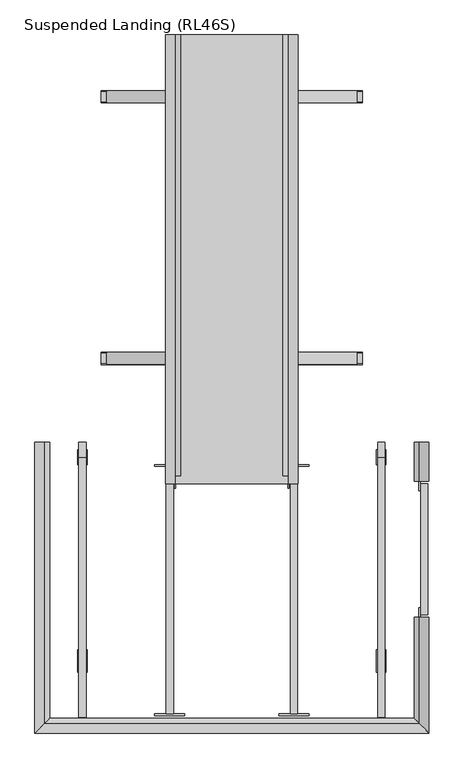
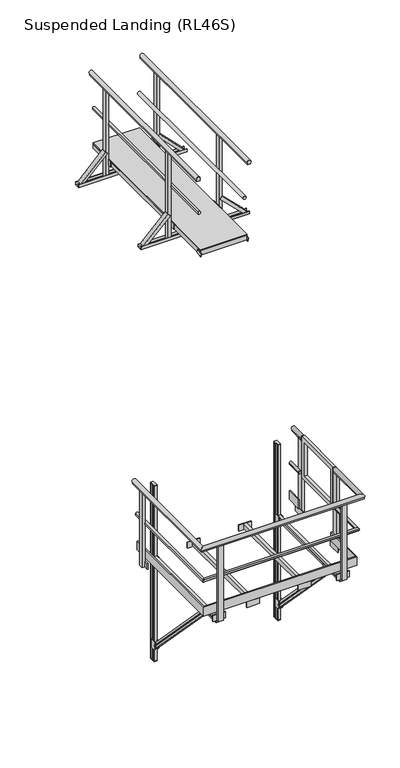
"""IFC4 building model written with IfcOpenShell, lengths in millimetres: proxy geometry, Suspended Landing (RL46S)."""

from ifc_helpers import new_model, si_unit, frame, origin, place, context, project, spatial, polyline, circle_curve, ellipse_curve, outline, extrude, faceted_brep, source, transform, mapped, element, save
from ifc_brep_helpers import plane_surface, cylinder_surface, advanced_brep


def suspended_landing_rl46s_f766930f(model_context):
    return source(origin(), model_context, "Body", "SolidModel", [
        advanced_brep(
        [(-1101.0, 2400.0, 9486.25), (-1101.0, 2400.0, 9459.75), (-1101.0, 41.3809842, 9486.25), (-1101.0, 41.3809842, 9459.75), (-1115.9812383, 41.3809842, 9493.0)],
        [
            (0, 1),
            (1, 0, circle_curve(frame((-1115.9812383, 2400.0, 9473.0), z_axis=(0.0, 1.0, 0.0), x_axis=(-1.0, 0.0, 0.0)), 20.0)),
            (0, 2),
            (2, 3),
            (3, 1),
            (3, 4, circle_curve(frame((-1115.9812383, 41.3809842, 9473.0), z_axis=(0.0, 1.0, 0.0), x_axis=(-1.0, 0.0, 0.0)), 20.0)),
            (4, 2, circle_curve(frame((-1115.9812383, 41.3809842, 9473.0), z_axis=(0.0, 1.0, 0.0), x_axis=(-1.0, 0.0, 0.0)), 20.0)),
        ],
        [
            plane_surface(frame((-1135.9812383, 2400.0, 9473.0), z_axis=(0.0, 1.0, 0.0), x_axis=(0.0, 0.0, 1.0))),
            plane_surface(frame((-1101.0, 0.0, 9459.75), z_axis=(1.0, 0.0, 0.0), x_axis=(0.0, 1.0, 0.0))),
            cylinder_surface(frame((-1115.9812383, 2400.0, 9473.0), z_axis=(0.0, -1.0, 0.0), x_axis=(-1.0, 0.0, 0.0)), 20.0),
            plane_surface(frame((-1038.2512627, 41.3809842, 9000.0), z_axis=(0.0, -1.0, 0.0), x_axis=(-1.0, 0.0, 0.0))),
        ],
        [
            (0, [[1, 2]]),
            (1, [[-1, 3, 4, 5]]),
            (2, [[-2, -5, 6, 7, -3]]),
            (3, [[-4, -7, -6]]),
        ],
    ),
        advanced_brep(
        [(-1720.0, 2400.0, 9486.25), (-1720.0, 2400.0, 9459.75), (-1720.0, 41.3809842, 9459.75), (-1720.0, 41.3809842, 9486.25), (-1705.0187617, 41.3809842, 9493.0)],
        [
            (0, 1, circle_curve(frame((-1705.0187617, 2400.0, 9473.0), z_axis=(0.0, 1.0, 0.0), x_axis=(1.0, 0.0, 0.0)), 20.0)),
            (1, 0),
            (1, 2),
            (2, 3),
            (3, 0),
            (3, 4, circle_curve(frame((-1705.0187617, 41.3809842, 9473.0), z_axis=(0.0, 1.0, 0.0), x_axis=(1.0, 0.0, 0.0)), 20.0)),
            (4, 2, circle_curve(frame((-1705.0187617, 41.3809842, 9473.0), z_axis=(0.0, 1.0, 0.0), x_axis=(1.0, 0.0, 0.0)), 20.0)),
        ],
        [
            plane_surface(frame((-1720.0, 2400.0, 9459.75), z_axis=(0.0, 1.0, 0.0), x_axis=(0.0, 0.0, 1.0))),
            plane_surface(frame((-1720.0, 0.0, 9486.25), z_axis=(-1.0, 0.0, 0.0), x_axis=(0.0, 1.0, 0.0))),
            cylinder_surface(frame((-1705.0187617, 2400.0, 9473.0), z_axis=(0.0, -1.0, 0.0), x_axis=(1.0, 0.0, 0.0)), 20.0),
            plane_surface(frame((-1038.2512627, 41.3809842, 9000.0), z_axis=(0.0, -1.0, 0.0), x_axis=(-1.0, 0.0, 0.0))),
        ],
        [
            (0, [[1, 2]]),
            (1, [[-2, 3, 4, 5]]),
            (2, [[-1, -5, 6, 7, -3]]),
            (3, [[-4, -7, -6]]),
        ],
    ),
        advanced_brep(
        [(-1061.0, 2400.0, 9961.43534), (-1061.0, 2400.0, 9943.0), (-1103.0, 2400.0, 9943.0), (-1103.0, 2400.0, 9961.43534), (-1061.0, 0.0, 9961.43534), (-1061.0, 0.0, 9943.0), (-1103.0, 0.0, 9943.0), (-1103.0, 0.0, 9961.43534), (-1082.0, 0.0, 10000.0)],
        [
            (0, 1),
            (1, 2),
            (2, 3),
            (3, 0, circle_curve(frame((-1082.0, 2400.0, 9975.0), z_axis=(0.0, 1.0, 0.0), x_axis=(-1.0, 0.0, 0.0)), 25.0)),
            (4, 5),
            (5, 1),
            (0, 4),
            (5, 6),
            (6, 2),
            (6, 7),
            (7, 3),
            (7, 8, circle_curve(frame((-1082.0, 0.0, 9975.0), z_axis=(0.0, 1.0, 0.0), x_axis=(-1.0, 0.0, 0.0)), 25.0)),
            (8, 4, circle_curve(frame((-1082.0, 0.0, 9975.0), z_axis=(0.0, 1.0, 0.0), x_axis=(-1.0, 0.0, 0.0)), 25.0)),
        ],
        [
            plane_surface(frame((-1107.0, 2400.0, 9975.0), z_axis=(0.0, 1.0, 0.0), x_axis=(0.0, 0.0, 1.0))),
            plane_surface(frame((-1061.0, 0.0, 9943.0), z_axis=(1.0, 0.0, 0.0), x_axis=(0.0, 1.0, 0.0))),
            plane_surface(frame((-1103.0, 0.0, 9943.0), z_axis=(0.0, 0.0, -1.0), x_axis=(0.0, 1.0, 0.0))),
            plane_surface(frame((-1103.0, 0.0, 9961.43534), z_axis=(-1.0, 0.0, 0.0), x_axis=(0.0, 1.0, 0.0))),
            cylinder_surface(frame((-1082.0, 2400.0, 9975.0), z_axis=(0.0, -1.0, 0.0), x_axis=(-1.0, 0.0, 0.0)), 25.0),
            plane_surface(frame((-1107.0, 0.0, 9975.0), z_axis=(0.0, -1.0, 0.0), x_axis=(0.0, 0.0, -1.0))),
        ],
        [
            (0, [[1, 2, 3, 4]]),
            (1, [[5, 6, -1, 7]]),
            (2, [[8, 9, -2, -6]]),
            (3, [[10, 11, -3, -9]]),
            (4, [[-4, -11, 12, 13, -7]]),
            (5, [[-10, -8, -5, -13, -12]]),
        ],
    ),
        advanced_brep(
        [(-1760.0, 2400.0, 9961.43534), (-1718.0, 2400.0, 9961.43534), (-1718.0, 2400.0, 9943.0), (-1760.0, 2400.0, 9943.0), (-1760.0, 0.0, 9943.0), (-1760.0, 0.0, 9961.43534), (-1718.0, 0.0, 9943.0), (-1718.0, 0.0, 9961.43534), (-1739.0, 0.0, 10000.0)],
        [
            (0, 1, circle_curve(frame((-1739.0, 2400.0, 9975.0), z_axis=(0.0, 1.0, 0.0), x_axis=(1.0, 0.0, 0.0)), 25.0)),
            (1, 2),
            (2, 3),
            (3, 0),
            (4, 5),
            (5, 0),
            (3, 4),
            (6, 4),
            (2, 6),
            (7, 6),
            (1, 7),
            (5, 8, circle_curve(frame((-1739.0, 0.0, 9975.0), z_axis=(0.0, 1.0, 0.0), x_axis=(1.0, 0.0, 0.0)), 25.0)),
            (8, 7, circle_curve(frame((-1739.0, 0.0, 9975.0), z_axis=(0.0, 1.0, 0.0), x_axis=(1.0, 0.0, 0.0)), 25.0)),
        ],
        [
            plane_surface(frame((-1760.0, 2400.0, 9943.0), z_axis=(0.0, 1.0, 0.0), x_axis=(0.0, 0.0, 1.0))),
            plane_surface(frame((-1760.0, 0.0, 9961.43534), z_axis=(-1.0, 0.0, 0.0), x_axis=(0.0, 1.0, 0.0))),
            plane_surface(frame((-1760.0, 0.0, 9943.0), z_axis=(0.0, 0.0, -1.0), x_axis=(0.0, 1.0, 0.0))),
            plane_surface(frame((-1718.0, 0.0, 9943.0), z_axis=(1.0, 0.0, 0.0), x_axis=(0.0, 1.0, 0.0))),
            cylinder_surface(frame((-1739.0, 2400.0, 9975.0), z_axis=(0.0, -1.0, 0.0), x_axis=(1.0, 0.0, 0.0)), 25.0),
            plane_surface(frame((-1760.0, 0.0, 9943.0), z_axis=(0.0, -1.0, 0.0), x_axis=(0.0, 0.0, -1.0))),
        ],
        [
            (0, [[1, 2, 3, 4]]),
            (1, [[5, 6, -4, 7]]),
            (2, [[8, -7, -3, 9]]),
            (3, [[10, -9, -2, 11]]),
            (4, [[-1, -6, 12, 13, -11]]),
            (5, [[-5, -8, -10, -13, -12]]),
        ],
    ),
        extrude(outline(polyline([(-1110.5, 2400.0), (-1110.5, 0.0), (-1710.5, 0.0), (-1710.5, 2400.0), (-1110.5, 2400.0)]), holes=[polyline([(-1148.5, 2362.0), (-1672.5, 2362.0), (-1672.5, 38.0), (-1148.5, 38.0), (-1148.5, 2362.0)])]), frame((0.0, 0.0, 8924.2375855), z_axis=(0.0, 0.0, 1.0), x_axis=(1.0, 0.0, 0.0)), (0.0, 0.0, 1.0), 57.2624145),
        extrude(outline(polyline([(699.5, 8788.0), (702.5, 8788.0), (702.5, 8750.0), (637.5, 8750.0), (637.5, 8788.0), (640.5, 8788.0), (640.5, 8753.0), (699.5, 8753.0), (699.5, 8788.0)])), frame((-2110.5, 0.0, 0.0), z_axis=(1.0, 0.0, 0.0), x_axis=(0.0, 1.0, 0.0)), (0.0, 0.0, 1.0), 1400.0),
        extrude(outline(polyline([(2102.5, 8788.0), (2102.5, 8750.0), (2037.5, 8750.0), (2037.5, 8788.0), (2040.5, 8788.0), (2040.5, 8753.0), (2099.5, 8753.0), (2099.5, 8788.0), (2102.5, 8788.0)])), frame((-2110.5, 0.0, 0.0), z_axis=(1.0, 0.0, 0.0), x_axis=(0.0, 1.0, 0.0)), (0.0, 0.0, 1.0), 1400.0),
        extrude(outline(polyline([(-29.0, -38.0), (-32.0, -38.0), (-32.0, 0.0), (32.0, 0.0), (32.0, -38.0), (29.0, -38.0), (29.0, -2.9999999), (-29.0, -2.9999999), (-29.0, -38.0)])), frame((-740.5, 670.0, 8788.0), z_axis=(-0.7071067811865459, 0.0, 0.7071067811865492), x_axis=(0.0, -1.0, 0.0)), (0.0, 0.0, 1.0), 456.0838739),
        extrude(outline(polyline([(-29.0, 38.0), (-29.0, 2.9999999), (29.0, 2.9999999), (29.0, 38.0), (32.0, 38.0), (32.0, 0.0), (-32.0, 0.0), (-32.0, 38.0), (-29.0, 38.0)])), frame((-2080.5, 670.0, 8788.0), z_axis=(0.7071067811865526, 0.0, 0.7071067811865425), x_axis=(0.0, -1.0, 0.0)), (0.0, 0.0, 1.0), 456.0838739),
        extrude(outline(polyline([(-29.0, -38.0), (-32.0, -38.0), (-32.0, 0.0), (32.0, 0.0), (32.0, -38.0), (29.0, -38.0), (29.0, -2.9999999), (-29.0, -2.9999999), (-29.0, -38.0)])), frame((-740.5, 2070.0, 8788.0), z_axis=(-0.7071067811865461, 0.0, 0.7071067811865491), x_axis=(0.0, -1.0, 0.0)), (0.0, 0.0, 1.0), 456.0838739),
        extrude(outline(polyline([(-29.0, 38.0), (-29.0, 2.9999999), (29.0, 2.9999999), (29.0, 38.0), (32.0, 38.0), (32.0, 0.0), (-32.0, 0.0), (-32.0, 38.0), (-29.0, 38.0)])), frame((-2080.5, 2070.0, 8788.0), z_axis=(0.7071067811865526, 0.0, 0.7071067811865425), x_axis=(0.0, -1.0, 0.0)), (0.0, 0.0, 1.0), 456.0838739),
        extrude(outline(polyline([(-1063.0, 699.0), (-1063.0, 641.0), (-1101.0, 641.0), (-1101.0, 699.0), (-1063.0, 699.0)])), frame((0.0, 0.0, 8753.0), z_axis=(0.0, 0.0, 1.0), x_axis=(1.0, 0.0, 0.0)), (0.0, 0.0, 1.0), 1190.0),
        extrude(outline(polyline([(-1063.0, 2099.0), (-1063.0, 2041.0), (-1101.0, 2041.0), (-1101.0, 2099.0), (-1063.0, 2099.0)])), frame((0.0, 0.0, 8753.0), z_axis=(0.0, 0.0, 1.0), x_axis=(1.0, 0.0, 0.0)), (0.0, 0.0, 1.0), 1190.0),
        extrude(outline(polyline([(-1720.0, 2099.0), (-1720.0, 2041.0), (-1758.0, 2041.0), (-1758.0, 2099.0), (-1720.0, 2099.0)])), frame((0.0, 0.0, 8753.0), z_axis=(0.0, 0.0, 1.0), x_axis=(1.0, 0.0, 0.0)), (0.0, 0.0, 1.0), 1190.0),
        extrude(outline(polyline([(-1720.0, 699.0), (-1720.0, 641.0), (-1758.0, 641.0), (-1758.0, 699.0), (-1720.0, 699.0)])), frame((0.0, 0.0, 8753.0), z_axis=(0.0, 0.0, 1.0), x_axis=(1.0, 0.0, 0.0)), (0.0, 0.0, 1.0), 1190.0),
        extrude(outline(polyline([(-1110.5, 2400.0), (-1110.5, 0.0), (-1710.5, 0.0), (-1710.5, 2400.0), (-1110.5, 2400.0)])), frame((0.0, 0.0, 8981.5), z_axis=(0.0, 0.0, 1.0), x_axis=(1.0, 0.0, 0.0)), (0.0, 0.0, 1.0), 18.5),
        extrude(outline(polyline([(0.0, -75.0156698), (0.0, 0.0), (6.0, 0.0), (6.0, -75.0156698), (0.0, -75.0156698)])), frame((-1110.5, 61.9987697, 8924.2375855), z_axis=(0.0, -0.2282093973208778, 0.9736120741724816), x_axis=(1.0, 0.0, 0.0)), (0.0, 0.0, 1.0), 56.5477611),
        extrude(outline(polyline([(0.0, -75.0156698), (0.0, 0.0), (6.0, 0.0), (6.0, -75.0156698), (0.0, -75.0156698)])), frame((-1710.5, -11.0373922, 8907.1183047), z_axis=(0.0, -0.22820939732087775, 0.9736120741724816), x_axis=(-1.0, 0.0, 0.0)), (0.0, 0.0, 1.0), 56.5477611),
        extrude(outline(polyline([(-1110.5, 1990.0), (-1110.5, 2150.0), (-1101.0, 2150.0), (-1101.0, 1990.0), (-1110.5, 1990.0)])), frame((0.0, 0.0, 8920.0), z_axis=(0.0, 0.0, 1.0), x_axis=(1.0, 0.0, 0.0)), (0.0, 0.0, 1.0), 80.0),
        extrude(outline(polyline([(-1110.5, 590.0), (-1110.5, 750.0), (-1101.0, 750.0), (-1101.0, 590.0), (-1110.5, 590.0)])), frame((0.0, 0.0, 8920.0), z_axis=(0.0, 0.0, 1.0), x_axis=(1.0, 0.0, 0.0)), (0.0, 0.0, 1.0), 80.0),
        extrude(outline(polyline([(-1710.5, 2150.0), (-1710.5, 1990.0), (-1720.0, 1990.0), (-1720.0, 2150.0), (-1710.5, 2150.0)])), frame((0.0, 0.0, 8920.0), z_axis=(0.0, 0.0, 1.0), x_axis=(1.0, 0.0, 0.0)), (0.0, 0.0, 1.0), 80.0),
        extrude(outline(polyline([(-1710.5, 750.0), (-1710.5, 590.0), (-1720.0, 590.0), (-1720.0, 750.0), (-1710.5, 750.0)])), frame((0.0, 0.0, 8920.0), z_axis=(0.0, 0.0, 1.0), x_axis=(1.0, 0.0, 0.0)), (0.0, 0.0, 1.0), 80.0),
        extrude(outline(polyline([(-1148.5, 1831.0), (-1148.5, 1793.0), (-1672.5, 1793.0), (-1672.5, 1831.0), (-1148.5, 1831.0)])), frame((0.0, 0.0, 8923.5), z_axis=(0.0, 0.0, 1.0), x_axis=(1.0, 0.0, 0.0)), (0.0, 0.0, 1.0), 58.0),
        extrude(outline(polyline([(-1148.5, 1240.5), (-1148.5, 1202.5), (-1672.5, 1202.5), (-1672.5, 1240.5), (-1148.5, 1240.5)])), frame((0.0, 0.0, 8923.5), z_axis=(0.0, 0.0, 1.0), x_axis=(1.0, 0.0, 0.0)), (0.0, 0.0, 1.0), 58.0),
        extrude(outline(polyline([(-1148.5, 650.0), (-1148.5, 612.0), (-1672.5, 612.0), (-1672.5, 650.0), (-1148.5, 650.0)])), frame((0.0, 0.0, 8923.5), z_axis=(0.0, 0.0, 1.0), x_axis=(1.0, 0.0, 0.0)), (0.0, 0.0, 1.0), 58.0),
        extrude(outline(polyline([(-639.75, -1288.0), (-581.25, -1288.0), (-581.25, -1326.5), (-639.75, -1326.5), (-639.75, -1288.0)])), frame((0.0, 0.0, 4909.0), z_axis=(0.0, 0.0, 1.0), x_axis=(1.0, 0.0, 0.0)), (0.0, 0.0, 1.0), 1035.5),
        extrude(outline(polyline([(-690.5, -1288.0), (-690.5, -1278.0), (-530.5, -1278.0), (-530.5, -1288.0), (-690.5, -1288.0)])), frame((0.0, 0.0, 4904.0), z_axis=(0.0, 0.0, 1.0), x_axis=(1.0, 0.0, 0.0)), (0.0, 0.0, 1.0), 80.0),
        extrude(outline(polyline([(-629.75, 222.0), (-591.25, 222.0), (-591.25, 142.0), (-629.75, 142.0), (-629.75, 222.0)])), frame((0.0, 0.0, 3471.1412976), z_axis=(0.0, 0.0, 1.0), x_axis=(1.0, 0.0, 0.0)), (0.0, 0.0, 1.0), 5.0),
        extrude(outline(polyline([(-629.75, 222.0), (-591.25, 222.0), (-591.25, 142.0), (-629.75, 142.0), (-629.75, 222.0)])), frame((0.0, 0.0, 5866.1412976), z_axis=(0.0, 0.0, 1.0), x_axis=(1.0, 0.0, 0.0)), (0.0, 0.0, 1.0), 5.0),
        extrude(outline(polyline([(4841.8912976, -591.25), (4865.8912976, -591.25), (4865.8912976, -595.25), (4876.3912976, -595.25), (4876.3912976, -591.25), (4904.0, -591.25), (4904.0, -629.75), (4876.3912976, -629.75), (4876.3912976, -625.75), (4865.8912976, -625.75), (4865.8912976, -629.75), (4841.8912976, -629.75), (4841.8912976, -591.25)])), frame((0.0, -1248.0, 0.0), z_axis=(0.0, 1.0, 0.0), x_axis=(0.0, 0.0, 1.0)), (0.0, 0.0, 1.0), 1390.0),
        extrude(outline(polyline([(-629.75, 187.25), (-629.75, 204.5), (-616.75, 204.5), (-616.75, 215.0), (-629.75, 215.0), (-629.75, 222.0), (-591.25, 222.0), (-591.25, 215.0), (-604.25, 215.0), (-604.25, 204.5), (-591.25, 204.5), (-591.25, 187.25), (-604.25, 187.25), (-604.25, 176.75), (-591.25, 176.75), (-591.25, 159.5), (-604.25, 159.5), (-604.25, 149.0), (-591.25, 149.0), (-591.25, 142.0), (-629.75, 142.0), (-629.75, 149.0), (-616.75, 149.0), (-616.75, 159.5), (-629.75, 159.5), (-629.75, 176.75), (-616.75, 176.75), (-616.75, 187.25), (-629.75, 187.25)])), frame((0.0, 0.0, 3476.1412976), z_axis=(0.0, 0.0, 1.0), x_axis=(1.0, 0.0, 0.0)), (0.0, 0.0, 1.0), 2390.0),
        faceted_brep([(-591.25, 123.4263393, 3650.8567388), (-629.75, 123.4263393, 3650.8567388), (-629.75, 140.7175481, 3667.5004794), (-625.75, 140.7175481, 3667.5004794), (-625.75, 148.2824519, 3674.7821159), (-629.75, 148.2824519, 3674.7821159), (-629.75, 165.5736607, 3691.4258565), (-591.25, 165.5736607, 3691.4258565), (-591.25, 148.2824519, 3674.7821159), (-595.25, 148.2824519, 3674.7821159), (-595.25, 140.7175481, 3667.5004794), (-591.25, 140.7175481, 3667.5004794), (-591.25, -983.0891868, 4801.2106317), (-591.25, -965.3553906, 4817.381979), (-595.25, -965.3553906, 4817.381979), (-595.25, -957.5968548, 4824.4569434), (-591.25, -957.5968548, 4824.4569434), (-591.25, -939.8630585, 4840.6282906), (-629.75, -939.8630585, 4840.6282906), (-629.75, -957.5968548, 4824.4569434), (-625.75, -957.5968548, 4824.4569434), (-625.75, -965.3553906, 4817.381979), (-629.75, -965.3553906, 4817.381979), (-629.75, -983.0891868, 4801.2106317), (-591.25, -951.8315568, 4802.5514945), (-591.25, -969.3472449, 4786.140966), (-595.25, -951.8315568, 4802.5514945), (-595.25, -944.1684432, 4809.7311008), (-591.25, -944.1684432, 4809.7311008), (-591.25, -926.6527551, 4826.1416293), (-629.75, -926.6527551, 4826.1416293), (-629.75, -944.1684432, 4809.7311008), (-625.75, -944.1684432, 4809.7311008), (-625.75, -951.8315568, 4802.5514945), (-629.75, -951.8315568, 4802.5514945), (-629.75, -969.3472449, 4786.140966)], [[[0, 1, 2, 3, 4, 5, 6, 7, 8, 9, 10, 11]], [[12, 13, 14, 15, 16, 17, 18, 19, 20, 21, 22, 23]], [[11, 24, 13, 12, 25, 0]], [[10, 26, 24, 11]], [[9, 27, 15, 14, 26, 10]], [[8, 28, 27, 9]], [[7, 29, 17, 16, 28, 8]], [[6, 30, 29, 7]], [[5, 31, 19, 18, 30, 6]], [[4, 32, 31, 5]], [[3, 33, 21, 20, 32, 4]], [[2, 34, 33, 3]], [[1, 35, 23, 22, 34, 2]], [[0, 25, 35, 1]], [[26, 14, 13, 24]], [[28, 16, 15, 27]], [[30, 18, 17, 29]], [[32, 20, 19, 31]], [[34, 22, 21, 33]], [[25, 12, 23, 35]]]),
        extrude(outline(polyline([(102.0, 3761.1412976), (182.0, 3761.1412976), (182.0, 3641.1412976), (126.0, 3641.1412976), (102.0, 3665.1412976), (102.0, 3761.1412976)])), frame((-635.75, 0.0, 0.0), z_axis=(1.0, 0.0, 0.0), x_axis=(0.0, 1.0, 0.0)), (0.0, 0.0, 1.0), 6.0),
        extrude(outline(polyline([(182.0, 4904.0), (182.0, 4784.0), (126.0, 4784.0), (102.0, 4808.0), (102.0, 4904.0), (182.0, 4904.0)])), frame((-635.75, 0.0, 0.0), z_axis=(1.0, 0.0, 0.0), x_axis=(0.0, 1.0, 0.0)), (0.0, 0.0, 1.0), 6.0),
        extrude(outline(polyline([(-888.0, 4791.1412976), (-984.0, 4791.1412976), (-1008.0, 4815.1412976), (-1008.0, 4871.1412976), (-888.0, 4871.1412976), (-888.0, 4791.1412976)])), frame((-635.75, 0.0, 0.0), z_axis=(1.0, 0.0, 0.0), x_axis=(0.0, 1.0, 0.0)), (0.0, 0.0, 1.0), 6.0),
        extrude(outline(polyline([(102.0, 3761.1412976), (182.0, 3761.1412976), (182.0, 3641.1412976), (126.0, 3641.1412976), (102.0, 3665.1412976), (102.0, 3761.1412976)])), frame((-591.25, 0.0, 0.0), z_axis=(1.0, 0.0, 0.0), x_axis=(0.0, 1.0, 0.0)), (0.0, 0.0, 1.0), 6.0),
        extrude(outline(polyline([(182.0, 4904.0), (182.0, 4784.0), (126.0, 4784.0), (102.0, 4808.0), (102.0, 4904.0), (182.0, 4904.0)])), frame((-591.25, 0.0, 0.0), z_axis=(1.0, 0.0, 0.0), x_axis=(0.0, 1.0, 0.0)), (0.0, 0.0, 1.0), 6.0),
        extrude(outline(polyline([(-888.0, 4791.1412976), (-984.0, 4791.1412976), (-1008.0, 4815.1412976), (-1008.0, 4871.1412976), (-888.0, 4871.1412976), (-888.0, 4791.1412976)])), frame((-591.25, 0.0, 0.0), z_axis=(1.0, 0.0, 0.0), x_axis=(0.0, 1.0, 0.0)), (0.0, 0.0, 1.0), 6.0),
        extrude(outline(polyline([(-2191.25, 222.0), (-2191.25, 142.0), (-2229.75, 142.0), (-2229.75, 222.0), (-2191.25, 222.0)])), frame((0.0, 0.0, 3471.1412976), z_axis=(0.0, 0.0, 1.0), x_axis=(1.0, 0.0, 0.0)), (0.0, 0.0, 1.0), 5.0),
        extrude(outline(polyline([(-2191.25, 222.0), (-2191.25, 142.0), (-2229.75, 142.0), (-2229.75, 222.0), (-2191.25, 222.0)])), frame((0.0, 0.0, 5866.1412976), z_axis=(0.0, 0.0, 1.0), x_axis=(1.0, 0.0, 0.0)), (0.0, 0.0, 1.0), 5.0),
        extrude(outline(polyline([(4841.8912976, -2229.75), (4841.8912976, -2191.25), (4865.8912976, -2191.25), (4865.8912976, -2195.25), (4876.3912976, -2195.25), (4876.3912976, -2191.25), (4904.0, -2191.25), (4904.0, -2229.75), (4876.3912976, -2229.75), (4876.3912976, -2225.75), (4865.8912976, -2225.75), (4865.8912976, -2229.75), (4841.8912976, -2229.75)])), frame((0.0, -1248.0, 0.0), z_axis=(0.0, 1.0, 0.0), x_axis=(0.0, 0.0, 1.0)), (0.0, 0.0, 1.0), 1390.0),
        extrude(outline(polyline([(-2191.25, 187.25), (-2204.25, 187.25), (-2204.25, 176.75), (-2191.25, 176.75), (-2191.25, 159.5), (-2204.25, 159.5), (-2204.25, 149.0), (-2191.25, 149.0), (-2191.25, 142.0), (-2229.75, 142.0), (-2229.75, 149.0), (-2216.75, 149.0), (-2216.75, 159.5), (-2229.75, 159.5), (-2229.75, 176.75), (-2216.75, 176.75), (-2216.75, 187.25), (-2229.75, 187.25), (-2229.75, 204.5), (-2216.75, 204.5), (-2216.75, 215.0), (-2229.75, 215.0), (-2229.75, 222.0), (-2191.25, 222.0), (-2191.25, 215.0), (-2204.25, 215.0), (-2204.25, 204.5), (-2191.25, 204.5), (-2191.25, 187.25)])), frame((0.0, 0.0, 3476.1412976), z_axis=(0.0, 0.0, 1.0), x_axis=(1.0, 0.0, 0.0)), (0.0, 0.0, 1.0), 2390.0),
        faceted_brep([(-2229.75, 123.4263393, 3650.8567388), (-2229.75, 140.7175481, 3667.5004794), (-2225.75, 140.7175481, 3667.5004794), (-2225.75, 148.2824519, 3674.7821159), (-2229.75, 148.2824519, 3674.7821159), (-2229.75, 165.5736607, 3691.4258565), (-2191.25, 165.5736607, 3691.4258565), (-2191.25, 148.2824519, 3674.7821159), (-2195.25, 148.2824519, 3674.7821159), (-2195.25, 140.7175481, 3667.5004794), (-2191.25, 140.7175481, 3667.5004794), (-2191.25, 123.4263393, 3650.8567388), (-2229.75, -983.0891868, 4801.2106317), (-2191.25, -983.0891868, 4801.2106317), (-2191.25, -965.3553906, 4817.381979), (-2195.25, -965.3553906, 4817.381979), (-2195.25, -957.5968548, 4824.4569434), (-2191.25, -957.5968548, 4824.4569434), (-2191.25, -939.8630585, 4840.6282906), (-2229.75, -939.8630585, 4840.6282906), (-2229.75, -957.5968548, 4824.4569434), (-2225.75, -957.5968548, 4824.4569434), (-2225.75, -965.3553906, 4817.381979), (-2229.75, -965.3553906, 4817.381979), (-2229.75, -969.3472449, 4786.140966), (-2229.75, -951.8315568, 4802.5514945), (-2225.75, -951.8315568, 4802.5514945), (-2225.75, -944.1684432, 4809.7311008), (-2229.75, -944.1684432, 4809.7311008), (-2229.75, -926.6527551, 4826.1416293), (-2191.25, -926.6527551, 4826.1416293), (-2191.25, -944.1684432, 4809.7311008), (-2195.25, -944.1684432, 4809.7311008), (-2195.25, -951.8315568, 4802.5514945), (-2191.25, -951.8315568, 4802.5514945), (-2191.25, -969.3472449, 4786.140966)], [[[0, 1, 2, 3, 4, 5, 6, 7, 8, 9, 10, 11]], [[12, 13, 14, 15, 16, 17, 18, 19, 20, 21, 22, 23]], [[1, 0, 24, 12, 23, 25]], [[2, 1, 25, 26]], [[3, 2, 26, 22, 21, 27]], [[4, 3, 27, 28]], [[5, 4, 28, 20, 19, 29]], [[6, 5, 29, 30]], [[7, 6, 30, 18, 17, 31]], [[8, 7, 31, 32]], [[9, 8, 32, 16, 15, 33]], [[10, 9, 33, 34]], [[11, 10, 34, 14, 13, 35]], [[0, 11, 35, 24]], [[26, 25, 23, 22]], [[28, 27, 21, 20]], [[30, 29, 19, 18]], [[32, 31, 17, 16]], [[34, 33, 15, 14]], [[24, 35, 13, 12]]]),
        extrude(outline(polyline([(102.0, 3761.1412976), (182.0, 3761.1412976), (182.0, 3641.1412976), (126.0, 3641.1412976), (102.0, 3665.1412976), (102.0, 3761.1412976)])), frame((-2191.25, 0.0, 0.0), z_axis=(1.0, 0.0, 0.0), x_axis=(0.0, 1.0, 0.0)), (0.0, 0.0, 1.0), 6.0),
        extrude(outline(polyline([(182.0, 4904.0), (182.0, 4784.0), (126.0, 4784.0), (102.0, 4808.0), (102.0, 4904.0), (182.0, 4904.0)])), frame((-2191.25, 0.0, 0.0), z_axis=(1.0, 0.0, 0.0), x_axis=(0.0, 1.0, 0.0)), (0.0, 0.0, 1.0), 6.0),
        extrude(outline(polyline([(-888.0, 4791.1412976), (-984.0, 4791.1412976), (-1008.0, 4815.1412976), (-1008.0, 4871.1412976), (-888.0, 4871.1412976), (-888.0, 4791.1412976)])), frame((-2191.25, 0.0, 0.0), z_axis=(1.0, 0.0, 0.0), x_axis=(0.0, 1.0, 0.0)), (0.0, 0.0, 1.0), 6.0),
        extrude(outline(polyline([(102.0, 3761.1412976), (182.0, 3761.1412976), (182.0, 3641.1412976), (126.0, 3641.1412976), (102.0, 3665.1412976), (102.0, 3761.1412976)])), frame((-2235.75, 0.0, 0.0), z_axis=(1.0, 0.0, 0.0), x_axis=(0.0, 1.0, 0.0)), (0.0, 0.0, 1.0), 6.0),
        extrude(outline(polyline([(182.0, 4904.0), (182.0, 4784.0), (126.0, 4784.0), (102.0, 4808.0), (102.0, 4904.0), (182.0, 4904.0)])), frame((-2235.75, 0.0, 0.0), z_axis=(1.0, 0.0, 0.0), x_axis=(0.0, 1.0, 0.0)), (0.0, 0.0, 1.0), 6.0),
        extrude(outline(polyline([(-888.0, 4791.1412976), (-984.0, 4791.1412976), (-1008.0, 4815.1412976), (-1008.0, 4871.1412976), (-888.0, 4871.1412976), (-888.0, 4791.1412976)])), frame((-2235.75, 0.0, 0.0), z_axis=(1.0, 0.0, 0.0), x_axis=(0.0, 1.0, 0.0)), (0.0, 0.0, 1.0), 6.0),
        extrude(outline(polyline([(-1058.75, 93.5), (-1058.75, -1229.5), (-1097.25, -1229.5), (-1097.25, 93.5), (-1058.75, 93.5)])), frame((0.0, 0.0, 4925.5), z_axis=(0.0, 0.0, 1.0), x_axis=(1.0, 0.0, 0.0)), (0.0, 0.0, 1.0), 58.5),
        extrude(outline(polyline([(-998.0, -1229.5), (-998.0, -1239.5), (-1158.0, -1239.5), (-1158.0, -1229.5), (-998.0, -1229.5)])), frame((0.0, 0.0, 4904.0), z_axis=(0.0, 0.0, 1.0), x_axis=(1.0, 0.0, 0.0)), (0.0, 0.0, 1.0), 80.0),
        extrude(outline(polyline([(-998.0, 103.5), (-998.0, 93.5), (-1158.0, 93.5), (-1158.0, 103.5), (-998.0, 103.5)])), frame((0.0, 0.0, 4904.0), z_axis=(0.0, 0.0, 1.0), x_axis=(1.0, 0.0, 0.0)), (0.0, 0.0, 1.0), 80.0),
        extrude(outline(polyline([(-400.5, -712.25), (-362.0, -712.25), (-362.0, -770.75), (-400.5, -770.75), (-400.5, -712.25)])), frame((0.0, 0.0, 4909.0), z_axis=(0.0, 0.0, 1.0), x_axis=(1.0, 0.0, 0.0)), (0.0, 0.0, 1.0), 1035.5),
        extrude(outline(polyline([(-400.5, -661.5), (-400.5, -821.5), (-410.5, -821.5), (-410.5, -661.5), (-400.5, -661.5)])), frame((0.0, 0.0, 4904.0), z_axis=(0.0, 0.0, 1.0), x_axis=(1.0, 0.0, 0.0)), (0.0, 0.0, 1.0), 80.0),
        extrude(outline(polyline([(-2420.5, 12.75), (-2459.0, 12.75), (-2459.0, 71.25), (-2420.5, 71.25), (-2420.5, 12.75)])), frame((0.0, 0.0, 4909.0), z_axis=(0.0, 0.0, 1.0), x_axis=(1.0, 0.0, 0.0)), (0.0, 0.0, 1.0), 1035.5),
        extrude(outline(polyline([(-2420.5, -38.0), (-2420.5, 122.0), (-2410.5, 122.0), (-2410.5, -38.0), (-2420.5, -38.0)])), frame((0.0, 0.0, 4904.0), z_axis=(0.0, 0.0, 1.0), x_axis=(1.0, 0.0, 0.0)), (0.0, 0.0, 1.0), 80.0),
        extrude(outline(polyline([(-400.5, 71.25), (-362.0, 71.25), (-362.0, 12.75), (-400.5, 12.75), (-400.5, 71.25)])), frame((0.0, 0.0, 4909.0), z_axis=(0.0, 0.0, 1.0), x_axis=(1.0, 0.0, 0.0)), (0.0, 0.0, 1.0), 1035.5),
        extrude(outline(polyline([(-400.5, 122.0), (-400.5, -38.0), (-410.5, -38.0), (-410.5, 122.0), (-400.5, 122.0)])), frame((0.0, 0.0, 4904.0), z_axis=(0.0, 0.0, 1.0), x_axis=(1.0, 0.0, 0.0)), (0.0, 0.0, 1.0), 80.0),
        extrude(outline(polyline([(-1762.25, 93.5), (-1723.75, 93.5), (-1723.75, -1229.5), (-1762.25, -1229.5), (-1762.25, 93.5)])), frame((0.0, 0.0, 4925.5), z_axis=(0.0, 0.0, 1.0), x_axis=(1.0, 0.0, 0.0)), (0.0, 0.0, 1.0), 58.5),
        extrude(outline(polyline([(-1823.0, -1229.5), (-1663.0, -1229.5), (-1663.0, -1239.5), (-1823.0, -1239.5), (-1823.0, -1229.5)])), frame((0.0, 0.0, 4904.0), z_axis=(0.0, 0.0, 1.0), x_axis=(1.0, 0.0, 0.0)), (0.0, 0.0, 1.0), 80.0),
        extrude(outline(polyline([(-1823.0, 103.5), (-1663.0, 103.5), (-1663.0, 93.5), (-1823.0, 93.5), (-1823.0, 103.5)])), frame((0.0, 0.0, 4904.0), z_axis=(0.0, 0.0, 1.0), x_axis=(1.0, 0.0, 0.0)), (0.0, 0.0, 1.0), 80.0),
        extrude(outline(polyline([(-2181.25, -1288.0), (-2181.25, -1326.5), (-2239.75, -1326.5), (-2239.75, -1288.0), (-2181.25, -1288.0)])), frame((0.0, 0.0, 4909.0), z_axis=(0.0, 0.0, 1.0), x_axis=(1.0, 0.0, 0.0)), (0.0, 0.0, 1.0), 1035.5),
        extrude(outline(polyline([(-2130.5, -1288.0), (-2290.5, -1288.0), (-2290.5, -1278.0), (-2130.5, -1278.0), (-2130.5, -1288.0)])), frame((0.0, 0.0, 4904.0), z_axis=(0.0, 0.0, 1.0), x_axis=(1.0, 0.0, 0.0)), (0.0, 0.0, 1.0), 80.0),
        advanced_brep(
        [(-2386.2, 222.0, 5492.825729), (-2386.2, -1253.7, 5492.825729), (-2420.5, -1288.0, 5487.8343903), (-2420.5, 222.0, 5487.8343903), (-2386.2, -1253.7, 5507.591183), (-2386.2, 222.0, 5507.591183), (-2420.5, 222.0, 5512.5825217), (-2420.5, -1288.0, 5512.5825217), (-400.5, -1288.0, 5512.5825217), (-434.8, -1253.7, 5507.591183), (-400.5, -1288.0, 5487.8343903), (-434.8, -1253.7, 5492.825729), (-434.8, -712.25, 5492.825729), (-400.5, -712.25, 5487.8343903), (-400.5, -712.25, 5512.5825217), (-434.8, -712.25, 5507.591183), (-2390.2, 222.0, 5492.825729), (-2390.2, -1257.7, 5492.825729), (-430.8, -1257.7, 5492.825729), (-430.8, -712.25, 5492.825729), (-430.8, -1257.7, 5507.591183), (-430.8, -712.25, 5507.591183), (-2390.2, -1257.7, 5507.591183), (-2390.2, 222.0, 5507.591183)],
        [
            (0, 1),
            (1, 2, ellipse_curve(frame((-2404.787505, -1272.287505, 5500.208456), z_axis=(-0.7071067811865475, 0.7071067811865475, 0.0), x_axis=(-0.7071067811865474, -0.7071067811865476, 0.0)), 28.2842712, 20.0)),
            (2, 3),
            (3, 0, circle_curve(frame((-2404.787505, 222.0, 5500.208456), z_axis=(0.0, -1.0, 0.0), x_axis=(-1.0, 0.0, 0.0)), 20.0)),
            (4, 5),
            (5, 6, circle_curve(frame((-2404.787505, 222.0, 5500.208456), z_axis=(0.0, -1.0, 0.0), x_axis=(-1.0, 0.0, 0.0)), 20.0)),
            (6, 7),
            (7, 4, ellipse_curve(frame((-2404.787505, -1272.287505, 5500.208456), z_axis=(-0.7071067811865475, 0.7071067811865475, 0.0), x_axis=(-0.7071067811865474, -0.7071067811865476, 0.0)), 28.2842712, 20.0)),
            (8, 9, ellipse_curve(frame((-416.212495, -1272.287505, 5500.208456), z_axis=(-0.7071067811865475, -0.7071067811865475, 0.0), x_axis=(0.7071067811865476, -0.7071067811865474, 0.0)), 28.2842712, 20.0)),
            (9, 4),
            (7, 8),
            (10, 8),
            (7, 2),
            (2, 10),
            (10, 11, ellipse_curve(frame((-416.212495, -1272.287505, 5500.208456), z_axis=(0.7071067811865475, 0.7071067811865475, 0.0), x_axis=(-0.7071067811865474, 0.7071067811865476, 0.0)), 28.2842712, 20.0)),
            (11, 12),
            (12, 13, circle_curve(frame((-416.212495, -712.25, 5500.208456), z_axis=(0.0, -1.0, 0.0), x_axis=(1.0, 0.0, 0.0)), 20.0)),
            (13, 10),
            (8, 14),
            (14, 15, circle_curve(frame((-416.212495, -712.25, 5500.208456), z_axis=(0.0, -1.0, 0.0), x_axis=(1.0, 0.0, 0.0)), 20.0)),
            (15, 9),
            (13, 14),
            (11, 1),
            (0, 16),
            (16, 17),
            (17, 18),
            (18, 19),
            (19, 12),
            (18, 20),
            (20, 21),
            (21, 19),
            (20, 22),
            (22, 23),
            (23, 5),
            (15, 21),
            (17, 22),
            (6, 3),
            (16, 23),
        ],
        [
            cylinder_surface(frame((-2404.787505, -1332.5, 5500.208456), z_axis=(0.0, -1.0, 0.0), x_axis=(-1.0, 0.0, 0.0)), 20.0),
            cylinder_surface(frame((-356.0, -1272.287505, 5500.208456), z_axis=(1.0, 0.0, 0.0), x_axis=(0.0, -1.0, 0.0)), 20.0),
            plane_surface(frame((-400.5, -1288.0, 5512.5825217), z_axis=(0.0, -1.0, 0.0), x_axis=(-1.0, 0.0, 0.0))),
            cylinder_surface(frame((-416.212495, 222.0, 5500.208456), z_axis=(0.0, 1.0, 0.0), x_axis=(1.0, 0.0, 0.0)), 20.0),
            plane_surface(frame((-400.5, 222.0, 5512.5825217), z_axis=(1.0, 0.0, 0.0), x_axis=(0.0, -1.0, 0.0))),
            plane_surface(frame((-434.8, 222.0, 5492.825729), z_axis=(0.0, 0.0, 1.0), x_axis=(0.0, -1.0, 0.0))),
            plane_surface(frame((-430.8, 222.0, 5492.825729), z_axis=(-1.0, 0.0, 0.0), x_axis=(0.0, -1.0, 0.0))),
            plane_surface(frame((-430.8, 222.0, 5507.591183), z_axis=(0.0, 0.0, -1.0), x_axis=(0.0, -1.0, 0.0))),
            plane_surface(frame((-430.8, -1257.7, 5492.825729), z_axis=(0.0, 1.0, 0.0), x_axis=(-1.0, 0.0, 0.0))),
            plane_surface(frame((-2420.5, -1288.0, 5512.5825217), z_axis=(-1.0, 0.0, 0.0), x_axis=(0.0, 1.0, 0.0))),
            plane_surface(frame((-2390.2, -1257.7, 5492.825729), z_axis=(1.0, 0.0, 0.0), x_axis=(0.0, 1.0, 0.0))),
            plane_surface(frame((-2465.0, 222.0, 5990.0), z_axis=(0.0, 1.0, 0.0), x_axis=(0.0, 0.0, 1.0))),
            plane_surface(frame((-454.0, -712.25, 5990.0), z_axis=(0.0, 1.0, 0.0), x_axis=(0.0, 0.0, -1.0))),
        ],
        [
            (0, [[1, 2, 3, 4]]),
            (0, [[5, 6, 7, 8]]),
            (1, [[9, 10, -8, 11]]),
            (2, [[12, -11, 13, 14]]),
            (3, [[15, 16, 17, 18]]),
            (3, [[-9, 19, 20, 21]]),
            (4, [[-12, -18, 22, -19]]),
            (5, [[23, -1, 24, 25, 26, 27, 28, -16]]),
            (6, [[29, 30, 31, -27]]),
            (7, [[32, 33, 34, -5, -10, -21, 35, -30]]),
            (1, [[-15, -14, -2, -23]]),
            (8, [[-26, 36, -32, -29]]),
            (9, [[-13, -7, 37, -3]]),
            (10, [[-25, 38, -33, -36]]),
            (11, [[-24, -4, -37, -6, -34, -38]]),
            (12, [[-20, -22, -17, -28, -31, -35]]),
        ],
    ),
        advanced_brep(
        [(-400.5, 12.75, 5512.5825217), (-434.8, 12.75, 5507.591183), (-430.8, 12.75, 5507.591183), (-430.8, 12.75, 5492.825729), (-434.8, 12.75, 5492.825729), (-400.5, 12.75, 5487.8343903), (-434.8, 222.0, 5492.825729), (-400.5, 222.0, 5487.8343903), (-434.8, 222.0, 5507.591183), (-400.5, 222.0, 5512.5825217), (-430.8, 222.0, 5492.825729), (-430.8, 222.0, 5507.591183)],
        [
            (0, 1, circle_curve(frame((-416.212495, 12.75, 5500.208456), z_axis=(0.0, -1.0, 0.0), x_axis=(1.0, 0.0, 0.0)), 20.0)),
            (1, 2),
            (2, 3),
            (3, 4),
            (4, 5, circle_curve(frame((-416.212495, 12.75, 5500.208456), z_axis=(0.0, -1.0, 0.0), x_axis=(1.0, 0.0, 0.0)), 20.0)),
            (5, 0),
            (6, 7, circle_curve(frame((-416.212495, 222.0, 5500.208456), z_axis=(0.0, -1.0, 0.0), x_axis=(1.0, 0.0, 0.0)), 20.0)),
            (7, 5),
            (4, 6),
            (8, 9, circle_curve(frame((-416.212495, 222.0, 5500.208456), z_axis=(0.0, 1.0, 0.0), x_axis=(1.0, 0.0, 0.0)), 20.0)),
            (9, 7),
            (6, 10),
            (10, 11),
            (11, 8),
            (8, 1),
            (0, 9),
            (3, 10),
            (2, 11),
        ],
        [
            plane_surface(frame((-344.0, 12.75, 5990.0), z_axis=(0.0, -1.0, 0.0), x_axis=(0.0, 0.0, -1.0))),
            cylinder_surface(frame((-416.212495, 222.0, 5500.208456), z_axis=(0.0, 1.0, 0.0), x_axis=(1.0, 0.0, 0.0)), 20.0),
            plane_surface(frame((-356.0, 222.0, 5990.0), z_axis=(0.0, 1.0, 0.0), x_axis=(0.0, 0.0, 1.0))),
            plane_surface(frame((-400.5, 222.0, 5512.5825217), z_axis=(1.0, 0.0, 0.0), x_axis=(0.0, -1.0, 0.0))),
            plane_surface(frame((-434.8, 222.0, 5492.825729), z_axis=(0.0, 0.0, 1.0), x_axis=(0.0, -1.0, 0.0))),
            plane_surface(frame((-430.8, 222.0, 5492.825729), z_axis=(-1.0, 0.0, 0.0), x_axis=(0.0, -1.0, 0.0))),
            plane_surface(frame((-430.8, 222.0, 5507.591183), z_axis=(0.0, 0.0, -1.0), x_axis=(0.0, -1.0, 0.0))),
        ],
        [
            (0, [[1, 2, 3, 4, 5, 6]]),
            (1, [[7, 8, -5, 9]]),
            (2, [[10, 11, -7, 12, 13, 14]]),
            (1, [[-10, 15, -1, 16]]),
            (3, [[-11, -16, -6, -8]]),
            (4, [[-12, -9, -4, 17]]),
            (5, [[-13, -17, -3, 18]]),
            (6, [[-14, -18, -2, -15]]),
        ],
    ),
        advanced_brep(
        [(-381.0, 12.75, 5990.0), (-402.0, 12.75, 5951.43534), (-402.0, 12.75, 5933.0), (-360.0, 12.75, 5933.0), (-360.0, 12.75, 5951.43534), (-402.0, 222.0, 5951.43534), (-402.0, 222.0, 5933.0), (-360.0, 222.0, 5951.43534), (-360.0, 222.0, 5933.0)],
        [
            (0, 1, circle_curve(frame((-381.0, 12.75, 5965.0), z_axis=(0.0, -1.0, 0.0), x_axis=(1.0, 0.0, 0.0)), 25.0)),
            (1, 2),
            (2, 3),
            (3, 4),
            (4, 0, circle_curve(frame((-381.0, 12.75, 5965.0), z_axis=(0.0, -1.0, 0.0), x_axis=(1.0, 0.0, 0.0)), 25.0)),
            (5, 6),
            (6, 2),
            (1, 5),
            (5, 7, circle_curve(frame((-381.0, 222.0, 5965.0), z_axis=(0.0, 1.0, 0.0), x_axis=(1.0, 0.0, 0.0)), 25.0)),
            (7, 8),
            (8, 6),
            (4, 7),
            (3, 8),
        ],
        [
            plane_surface(frame((-344.0, 12.75, 5990.0), z_axis=(0.0, -1.0, 0.0), x_axis=(0.0, 0.0, -1.0))),
            plane_surface(frame((-402.0, 222.0, 5933.0), z_axis=(-1.0, 0.0, 0.0), x_axis=(0.0, -1.0, 0.0))),
            plane_surface(frame((-356.0, 222.0, 5990.0), z_axis=(0.0, 1.0, 0.0), x_axis=(0.0, 0.0, 1.0))),
            cylinder_surface(frame((-381.0, 222.0, 5965.0), z_axis=(0.0, 1.0, 0.0), x_axis=(1.0, 0.0, 0.0)), 25.0),
            plane_surface(frame((-360.0, 222.0, 5951.43534), z_axis=(1.0, 0.0, 0.0), x_axis=(0.0, -1.0, 0.0))),
            plane_surface(frame((-360.0, 222.0, 5933.0), z_axis=(0.0, 0.0, -1.0), x_axis=(0.0, -1.0, 0.0))),
        ],
        [
            (0, [[1, 2, 3, 4, 5]]),
            (1, [[6, 7, -2, 8]]),
            (2, [[9, 10, 11, -6]]),
            (3, [[-9, -8, -1, -5, 12]]),
            (4, [[-10, -12, -4, 13]]),
            (5, [[-11, -13, -3, -7]]),
        ],
    ),
        faceted_brep([(-420.5, 12.75, 5126.0), (-433.5, 12.75, 5126.0), (-433.5, 12.75, 5006.0), (-420.5, 12.75, 5006.0), (-433.5, 222.0, 5126.0), (-433.5, 222.0, 5006.0), (-420.5, 222.0, 5126.0), (-420.5, 222.0, 5006.0)], [[[0, 1, 2, 3]], [[4, 5, 2, 1]], [[6, 4, 1, 0]], [[7, 6, 0, 3]], [[4, 6, 7, 5]], [[5, 7, 3, 2]]]),
        advanced_brep(
        [(-2461.0, -1328.5, 5951.43534), (-2419.0, -1286.5, 5951.43534), (-2419.0, 222.0, 5951.43534), (-2461.0, 222.0, 5951.43534), (-360.0, -1328.5, 5951.43534), (-402.0, -1286.5, 5951.43534), (-360.0, -1328.5, 5933.0), (-2461.0, -1328.5, 5933.0), (-402.0, -1286.5, 5933.0), (-402.0, -712.25, 5951.43534), (-402.0, -712.25, 5933.0), (-360.0, -712.25, 5951.43534), (-381.0, -712.25, 5990.0), (-360.0, -712.25, 5933.0), (-2461.0, 222.0, 5933.0), (-2419.0, 222.0, 5933.0), (-2419.0, -1286.5, 5933.0)],
        [
            (0, 1, ellipse_curve(frame((-2440.0, -1307.5, 5965.0), z_axis=(-0.7071067811865475, 0.7071067811865475, 0.0), x_axis=(-0.7071067811865474, -0.7071067811865476, 0.0)), 35.3553391, 25.0)),
            (1, 2),
            (2, 3, circle_curve(frame((-2440.0, 222.0, 5965.0), z_axis=(0.0, -1.0, 0.0), x_axis=(-1.0, 0.0, 0.0)), 25.0)),
            (3, 0),
            (4, 5, ellipse_curve(frame((-381.0, -1307.5, 5965.0), z_axis=(-0.7071067811865475, -0.7071067811865475, 0.0), x_axis=(0.7071067811865476, -0.7071067811865474, 0.0)), 35.3553391, 25.0)),
            (5, 1),
            (0, 4),
            (6, 4),
            (0, 7),
            (7, 6),
            (8, 5),
            (5, 9),
            (9, 10),
            (10, 8),
            (4, 11),
            (11, 12, circle_curve(frame((-381.0, -712.25, 5965.0), z_axis=(0.0, -1.0, 0.0), x_axis=(1.0, 0.0, 0.0)), 25.0)),
            (12, 9, circle_curve(frame((-381.0, -712.25, 5965.0), z_axis=(0.0, -1.0, 0.0), x_axis=(1.0, 0.0, 0.0)), 25.0)),
            (6, 13),
            (13, 11),
            (7, 14),
            (14, 15),
            (15, 16),
            (16, 8),
            (10, 13),
            (16, 1),
            (3, 14),
            (15, 2),
        ],
        [
            cylinder_surface(frame((-2440.0, -1332.5, 5965.0), z_axis=(0.0, -1.0, 0.0), x_axis=(-1.0, 0.0, 0.0)), 25.0),
            cylinder_surface(frame((-356.0, -1307.5, 5965.0), z_axis=(1.0, 0.0, 0.0), x_axis=(0.0, -1.0, 0.0)), 25.0),
            plane_surface(frame((-360.0, -1328.5, 5951.43534), z_axis=(0.0, -1.0, 0.0), x_axis=(-1.0, 0.0, 0.0))),
            plane_surface(frame((-402.0, 222.0, 5933.0), z_axis=(-1.0, 0.0, 0.0), x_axis=(0.0, -1.0, 0.0))),
            cylinder_surface(frame((-381.0, 222.0, 5965.0), z_axis=(0.0, 1.0, 0.0), x_axis=(1.0, 0.0, 0.0)), 25.0),
            plane_surface(frame((-360.0, 222.0, 5951.43534), z_axis=(1.0, 0.0, 0.0), x_axis=(0.0, -1.0, 0.0))),
            plane_surface(frame((-360.0, 222.0, 5933.0), z_axis=(0.0, 0.0, -1.0), x_axis=(0.0, -1.0, 0.0))),
            plane_surface(frame((-402.0, -1286.5, 5933.0), z_axis=(0.0, 1.0, 0.0), x_axis=(-1.0, 0.0, 0.0))),
            plane_surface(frame((-2461.0, -1328.5, 5951.43534), z_axis=(-1.0, 0.0, 0.0), x_axis=(0.0, 1.0, 0.0))),
            plane_surface(frame((-2419.0, -1286.5, 5933.0), z_axis=(1.0, 0.0, 0.0), x_axis=(0.0, 1.0, 0.0))),
            plane_surface(frame((-2465.0, 222.0, 5990.0), z_axis=(0.0, 1.0, 0.0), x_axis=(0.0, 0.0, 1.0))),
            plane_surface(frame((-454.0, -712.25, 5990.0), z_axis=(0.0, 1.0, 0.0), x_axis=(0.0, 0.0, -1.0))),
        ],
        [
            (0, [[1, 2, 3, 4]]),
            (1, [[5, 6, -1, 7]]),
            (2, [[8, -7, 9, 10]]),
            (3, [[11, 12, 13, 14]]),
            (4, [[-5, 15, 16, 17, -12]]),
            (5, [[-8, 18, 19, -15]]),
            (6, [[-10, 20, 21, 22, 23, -14, 24, -18]]),
            (7, [[-23, 25, -6, -11]]),
            (8, [[-20, -9, -4, 26]]),
            (9, [[-22, 27, -2, -25]]),
            (10, [[-21, -26, -3, -27]]),
            (11, [[-17, -16, -19, -24, -13]]),
        ],
    ),
        faceted_brep([(-433.5, -1255.0, 5006.0), (-433.5, -1255.0, 5126.0), (-433.5, -712.25, 5126.0), (-433.5, -712.25, 5006.0), (-2387.5, -1255.0, 5126.0), (-2387.5, 222.0, 5126.0), (-2400.5, 222.0, 5126.0), (-2400.5, -1268.0, 5126.0), (-420.5, -1268.0, 5126.0), (-420.5, -712.25, 5126.0), (-420.5, -1268.0, 5006.0), (-420.5, -712.25, 5006.0), (-2400.5, -1268.0, 5006.0), (-2400.5, 222.0, 5006.0), (-2387.5, 222.0, 5006.0), (-2387.5, -1255.0, 5006.0)], [[[0, 1, 2, 3]], [[1, 4, 5, 6, 7, 8, 9, 2]], [[8, 10, 11, 9]], [[10, 12, 13, 14, 15, 0, 3, 11]], [[8, 7, 12, 10]], [[4, 1, 0, 15]], [[7, 6, 13, 12]], [[5, 4, 15, 14]], [[6, 5, 14, 13]], [[2, 9, 11, 3]]]),
        extrude(outline(polyline([(0.25, 5990.0), (0.25, 5424.0), (-699.75, 5424.0), (-699.75, 5990.0), (0.25, 5990.0)]), holes=[polyline([(-641.75, 5932.0), (-641.75, 5482.0), (-57.75, 5482.0), (-57.75, 5932.0), (-641.75, 5932.0)])]), frame((-400.0, 0.0, 0.0), z_axis=(1.0, 0.0, 0.0), x_axis=(0.0, 1.0, 0.0)), (0.0, 0.0, 1.0), 38.0),
    ])


if __name__ == "__main__":
    model = new_model("IFC4")
    model_context = context("Model", 3, world=origin())
    ifc_project = project(units=[si_unit("LENGTHUNIT", "METRE", prefix="MILLI")], contexts=[model_context])
    site = spatial("IfcSite", under=ifc_project)
    building = spatial("IfcBuilding", under=site)
    placement = place(None, origin())
    suspended_landing_rl46s_shape = suspended_landing_rl46s_f766930f(model_context)
    element("IfcBuildingElementProxy", 1, Name="Suspended Landing (RL46S)", ObjectType="Suspended Landing (RL46S)", at=placement, inside=building, context=model_context, shape_type="MappedRepresentation", body=[
        mapped(suspended_landing_rl46s_shape, transform((0.0, 0.0, 0.0), x_axis=(1.0, 0.0, 0.0), y_axis=(0.0, 1.0, 0.0), z_axis=(0.0, 0.0, 1.0))),
    ])
    save(model, "model.ifc")
